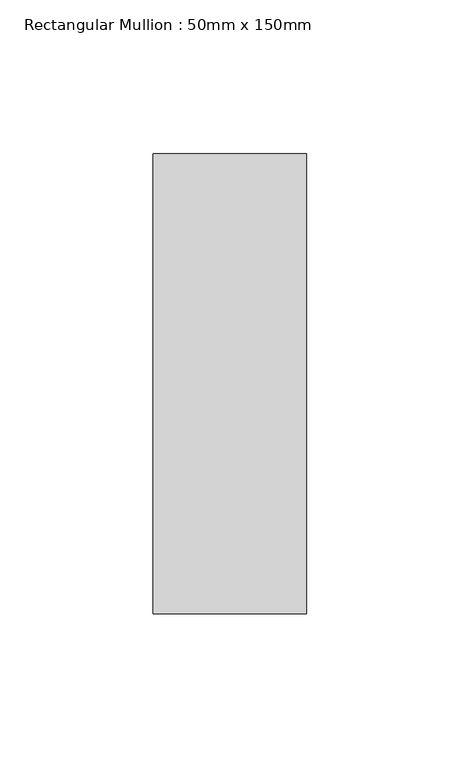
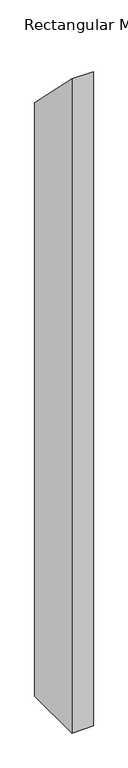
"""IFC4 building model written with IfcOpenShell, lengths in millimetres: member geometry, Rectangular Mullion : 50mm x 150mm."""

from ifc_helpers import new_model, si_unit, frame, origin, place, context, project, spatial, polyline, outline, extrude, source, transform, mapped, element, save


def rectangular_mullion_50mm_x_150mm_46e07a27(model_context):
    return source(origin(), model_context, "Body", "SweptSolid", [
        extrude(outline(polyline([(-75.0, 75.0), (75.0, -75.0), (75.0, -1535.0), (-75.0, -1535.0), (-75.0, 75.0)])), frame((-50.0, 0.0, 0.0), z_axis=(1.0, 0.0, 0.0), x_axis=(0.0, 1.0, 0.0)), (0.0, 0.0, 1.0), 50.0),
    ])


if __name__ == "__main__":
    model = new_model("IFC4")
    model_context = context("Model", 3, world=origin())
    ifc_project = project(units=[si_unit("LENGTHUNIT", "METRE", prefix="MILLI")], contexts=[model_context])
    site = spatial("IfcSite", under=ifc_project)
    building = spatial("IfcBuilding", under=site)
    placement = place(None, origin())
    rectangular_mullion_50mm_x_150mm_shape = rectangular_mullion_50mm_x_150mm_46e07a27(model_context)
    element("IfcMember", 1, ObjectType="Rectangular Mullion : 50mm x 150mm", at=placement, inside=building, context=model_context, shape_type="MappedRepresentation", body=[
        mapped(rectangular_mullion_50mm_x_150mm_shape, transform((0.0, 0.0, 0.0), x_axis=(1.0, 0.0, 0.0), y_axis=(0.0, 1.0, 0.0), z_axis=(0.0, 0.0, 1.0))),
    ])
    save(model, "model.ifc")
